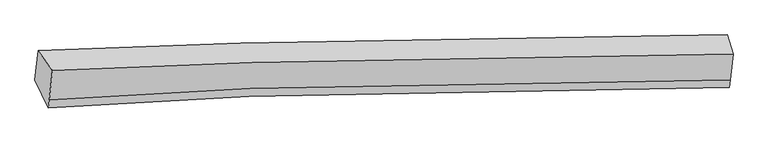
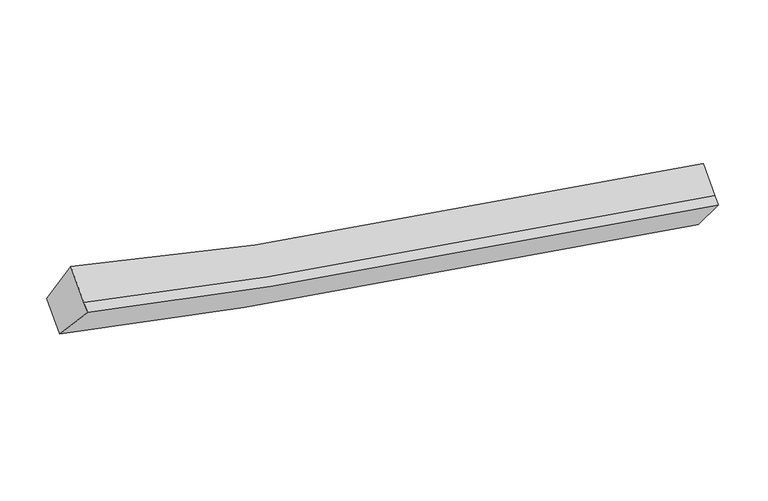
"""IFC4 building model written with IfcOpenShell, lengths in millimetres: proxy geometry."""

from ifc_helpers import new_model, si_unit, frame, origin, place, context, project, spatial, source, transform, mapped, element, save
from ifc_brep_helpers import plane_surface, spline_curve, spline_surface, advanced_brep


def generic_models_5caa5991(model_context):
    return source(origin(), model_context, "Body", "AdvancedBrep", [
        advanced_brep(
        [(-4075.2238198, -1792.4677833, 3879.2604187), (-3860.0887692, -2089.6848191, 4517.9276553), (6335.1389201, -1842.2200736, 2527.7503959), (6246.0189323, -1552.7752525, 1877.2902058), (-3907.4700683, -2528.5202726, 4196.9651843), (6293.2187703, -2230.4755312, 2243.7819288), (-3920.941059, -2653.2857059, 4105.7122523), (6280.6299631, -2347.0703702, 2158.5049363), (-4122.5933968, -2231.1946695, 3558.3773534), (6205.1875756, -1930.9465417, 1600.6972585)],
        [
            (0, 1),
            (1, 2, spline_curve(3, [(-3860.0887692, -2089.6848191, 4517.9276553), (-2866.729437377, -2043.695890206, 4240.485067029), (-1868.119390252, -2004.087958188, 3986.867882257), (1506.261383892, -1892.398832751, 3214.445054836), (3906.060566511, -1849.518515646, 2804.669819243), (6335.1389201, -1842.2200736, 2527.7503959)], [4, 2, 4], [0.0, 10.213379522016188, 34.331286559489094])),
            (2, 3),
            (3, 0, spline_curve(3, [(6246.0189323, -1552.7752525, 1877.2902058), (3787.04727626, -1558.109869848, 2145.251411225), (1357.624943902, -1599.127394597, 2554.301616825), (-2058.539144824, -1708.308696224, 3337.412137664), (-3069.531063818, -1747.18868224, 3595.685336065), (-4075.2238198, -1792.4677833, 3879.2604187)], [4, 2, 4], [0.0, 24.117907037472904, 34.331286559489094])),
            (1, 4),
            (4, 5, spline_curve(3, [(-3907.4700683, -2528.5202726, 4196.9651843), (-2911.748798828, -2460.655583168, 3935.522438763), (-1911.318368916, -2404.187652532, 3694.236588618), (1467.361064658, -2252.685271858, 2950.933013668), (3867.16024674, -2209.804955477, 2541.157778357), (6293.2187703, -2230.4755312, 2243.7819288)], [4, 2, 4], [0.0, 10.150946696437593, 34.12142466010143])),
            (5, 2),
            (4, 6),
            (6, 7, spline_curve(3, [(-3920.941059, -2653.2857059, 4105.7122523), (-2924.838246841, -2581.887248463, 3846.854090373), (-1924.113755543, -2522.695786513, 3607.560219906), (1455.260074778, -2364.762049978, 2868.960512962), (3855.059257556, -2321.881733799, 2459.185277699), (6280.6299631, -2347.0703702, 2158.5049363)], [4, 2, 4], [0.0, 10.150299966576416, 34.11925074027962])),
            (7, 5),
            (6, 8),
            (8, 9, spline_curve(3, [(-4122.5933968, -2231.1946695, 3558.3773534), (-3113.887445737, -2158.007999896, 3295.213753211), (-2100.585857168, -2097.736348282, 3052.586332219), (1320.977129952, -1938.55160918, 2306.048123006), (3750.269199231, -1898.740551863, 1896.115512213), (6205.1875756, -1930.9465417, 1600.6972585)], [4, 2, 4], [0.0, 10.21200285496331, 34.32665902645877])),
            (9, 7),
            (8, 0),
            (3, 9),
        ],
        [
            spline_surface(3, 3, [[(-4075.2238198, -1792.4677833, 3879.2604187), (-3069.531063738, -1747.188682174, 3595.685336044), (-2058.539144957, -1708.308696332, 3337.412137541), (1357.624944217, -1599.127394341, 2554.301617116), (3787.047276105, -1558.109869924, 2145.251411356), (6246.0189323, -1552.7752525, 1877.2902058)], [(-4003.512136267, -1891.540128564, 4092.14949757), (-3001.930521641, -1846.024418219, 3810.61857973), (-1995.065893439, -1806.901783664, 3553.897385808), (1407.170424209, -1696.884540343, 2774.349429553), (3826.718373036, -1655.246085231, 2365.057547386), (6275.725594909, -1649.256859539, 2094.11026919)], [(-3931.800452733, -1990.612473836, 4305.03857643), (-2934.329979544, -1944.86015427, 4025.551823405), (-1931.592641904, -1905.494871018, 3770.382634137), (1456.715904219, -1794.641686367, 2994.397242052), (3866.389469939, -1752.382300521, 2584.863683346), (6305.432257491, -1745.738466561, 2310.93033251)], [(-3860.0887692, -2089.6848191, 4517.9276553), (-2866.729437446, -2043.695890315, 4240.485067091), (-1868.119390387, -2004.08795835, 3986.867882404), (1506.261384211, -1892.398832369, 3214.445054489), (3906.060566869, -1849.518515827, 2804.669819375), (6335.1389201, -1842.2200736, 2527.7503959)]], [4, 4], [4, 2, 4], [0.0, 2.4134800773507905], [0.0, 10.213379522016188, 34.331286559489094]),
            spline_surface(3, 3, [[(-3860.0887692, -2089.6848191, 4517.9276553), (-2866.729437446, -2043.695890315, 4240.485067091), (-1868.119390387, -2004.08795835, 3986.867882404), (1506.261384211, -1892.398832369, 3214.445054489), (3906.060566869, -1849.518515827, 2804.669819375), (6335.1389201, -1842.2200736, 2527.7503959)], [(-3875.882535557, -2235.963303592, 4410.940164952), (-2881.735891268, -2182.682454574, 4138.830857631), (-1882.519049846, -2137.454523064, 3889.32411782), (1493.294610898, -2012.494312202, 3126.607707568), (3893.093793556, -1969.61399566, 2716.832472454), (6321.16553683, -1971.638559459, 2433.09424018)], [(-3891.676301943, -2382.241788108, 4303.952674648), (-2896.742345119, -2321.669018856, 4037.176648214), (-1896.918709297, -2270.821087803, 3791.780353195), (1480.327837594, -2132.589792059, 3038.770360607), (3880.127020252, -2089.709475517, 2628.995125594), (6307.19215357, -2101.057045341, 2338.43808452)], [(-3907.4700683, -2528.5202726, 4196.9651843), (-2911.748798941, -2460.655583116, 3935.522438753), (-1911.318368756, -2404.187652518, 3694.236588611), (1467.361064281, -2252.685271892, 2950.933013686), (3867.160246939, -2209.80495535, 2541.157778673), (6293.2187703, -2230.4755312, 2243.7819288)]], [4, 4], [4, 2, 4], [0.0, 1.5138925336453302], [0.0, 10.150946696437593, 34.12142466010143]),
            spline_surface(3, 3, [[(-3907.4700683, -2528.5202726, 4196.9651843), (-2911.748798941, -2460.655583116, 3935.522438753), (-1911.318368756, -2404.187652518, 3694.236588611), (1467.361064281, -2252.685271892, 2950.933013686), (3867.160246939, -2209.80495535, 2541.157778673), (6293.2187703, -2230.4755312, 2243.7819288)], [(-3911.960398533, -2570.108750387, 4166.547540302), (-2916.111948236, -2501.066138268, 3905.966322593), (-1915.583497668, -2443.690363858, 3665.344465734), (1463.327401014, -2290.044197951, 2923.60884667), (3863.126583673, -2247.163881409, 2513.833611657), (6289.022501216, -2269.340477548, 2215.356264652)], [(-3916.450728767, -2611.697228113, 4136.129896298), (-2920.475097532, -2541.47669336, 3876.410206426), (-1919.848626528, -2483.193075153, 3636.452342902), (1459.2937378, -2327.403123966, 2896.284679699), (3859.092920458, -2284.522807424, 2486.509444585), (6284.826232184, -2308.205423852, 2186.930600448)], [(-3920.941059, -2653.2857059, 4105.7122523), (-2924.838246827, -2581.887248513, 3846.854090267), (-1924.11375544, -2522.695786493, 3607.560220025), (1455.260074533, -2364.762050025, 2868.960512682), (3855.059257192, -2321.881733482, 2459.185277569), (6280.6299631, -2347.0703702, 2158.5049363)]], [4, 4], [4, 2, 4], [0.0, 0.4643754881231306], [0.0, 10.150299966576416, 34.11925074027962]),
            spline_surface(3, 3, [[(-3920.941059, -2653.2857059, 4105.7122523), (-2924.838246827, -2581.887248513, 3846.854090267), (-1924.11375544, -2522.695786493, 3607.560220025), (1455.260074533, -2364.762050025, 2868.960512682), (3855.059257192, -2321.881733482, 2459.185277569), (6280.6299631, -2347.0703702, 2158.5049363)], [(-3988.158504945, -2512.588693755, 3923.267285984), (-2987.854646431, -2440.594165595, 3662.973977904), (-1982.937789339, -2381.042640403, 3422.56892411), (1410.499092993, -2222.691903141, 2681.323049385), (3820.129237759, -2180.834672874, 2271.49535572), (6255.482500595, -2208.362427363, 1972.569043671)], [(-4055.375950855, -2371.891681645, 3740.822319716), (-3050.871046, -2299.301082711, 3479.093865592), (-2041.761823247, -2239.389494296, 3237.577628216), (1365.738111442, -2080.621756242, 2493.685586109), (3785.199218342, -2039.787612276, 2083.805433959), (6230.335038105, -2069.654484537, 1786.633151129)], [(-4122.5933968, -2231.1946695, 3558.3773534), (-3113.887445604, -2158.007999793, 3295.213753229), (-2100.585857146, -2097.736348206, 3052.586332302), (1320.977129901, -1938.551609358, 2306.048122812), (3750.269198909, -1898.740551668, 1896.11551211), (6205.1875756, -1930.9465417, 1600.6972585)]], [4, 4], [4, 2, 4], [0.0, 2.352971713816313], [0.0, 10.21200285496331, 34.32665902645877]),
            spline_surface(3, 3, [[(-4122.5933968, -2231.1946695, 3558.3773534), (-3113.887445604, -2158.007999793, 3295.213753229), (-2100.585857146, -2097.736348206, 3052.586332302), (1320.977129901, -1938.551609358, 2306.048122812), (3750.269198909, -1898.740551668, 1896.11551211), (6205.1875756, -1930.9465417, 1600.6972585)], [(-4106.803537799, -2084.952374101, 3665.338375192), (-3099.101984981, -2021.068227254, 3395.370947526), (-2086.570286394, -1967.92713091, 3147.52826741), (1333.193068029, -1825.410204348, 2388.799287609), (3762.528557991, -1785.196991078, 1979.160811867), (6218.798027849, -1804.889445292, 1692.894907608)], [(-4091.013678801, -1938.710078699, 3772.299396908), (-3084.316524361, -1884.128454713, 3495.528141747), (-2072.554715709, -1838.117913628, 3242.470202432), (1345.40900609, -1712.268799351, 2471.550452319), (3774.787917024, -1671.653430514, 2062.2061116), (6232.408480051, -1678.832348908, 1785.092556692)], [(-4075.2238198, -1792.4677833, 3879.2604187), (-3069.531063738, -1747.188682174, 3595.685336044), (-2058.539144957, -1708.308696332, 3337.412137541), (1357.624944217, -1599.127394341, 2554.301617116), (3787.047276105, -1558.109869924, 2145.251411356), (6246.0189323, -1552.7752525, 1877.2902058)]], [4, 4], [4, 2, 4], [0.0, 1.4412296639671922], [0.0, 10.273988539212828, 34.53501790355415]),
            plane_surface(frame((6266.7438478, -1918.2530595, 2041.0606991), z_axis=(0.9903771921244515, -0.005799344138528659, -0.1382728640306915), x_axis=(-0.10777483930700174, 0.5944626121586646, -0.7968681112692659))),
            plane_surface(frame((-3994.7117612, -2191.6582445, 4015.3194199), z_axis=(-0.9560448138968695, -0.09871658376616707, 0.27610387521807417), x_axis=(-0.08681936035264486, -0.8041023382338054, -0.5881171892700336))),
        ],
        [
            (0, [[1, 2, 3, 4]]),
            (1, [[5, 6, 7, -2]]),
            (2, [[8, 9, 10, -6]]),
            (3, [[11, 12, 13, -9]]),
            (4, [[14, -4, 15, -12]]),
            (5, [[-13, -15, -3, -7, -10]]),
            (6, [[-14, -11, -8, -5, -1]]),
        ],
    ),
    ])


if __name__ == "__main__":
    model = new_model("IFC4")
    model_context = context("Model", 3, world=origin())
    ifc_project = project(units=[si_unit("LENGTHUNIT", "METRE", prefix="MILLI")], contexts=[model_context])
    site = spatial("IfcSite", under=ifc_project)
    building = spatial("IfcBuilding", under=site)
    placement = place(None, origin())
    generic_models_shape = generic_models_5caa5991(model_context)
    element("IfcBuildingElementProxy", 1, Name="Generic Models", at=placement, inside=building, context=model_context, shape_type="MappedRepresentation", body=[
        mapped(generic_models_shape, transform((0.0, 0.0, 0.0), x_axis=(1.0, 0.0, 0.0), y_axis=(0.0, 1.0, 0.0), z_axis=(0.0, 0.0, 1.0))),
    ])
    save(model, "model.ifc")
